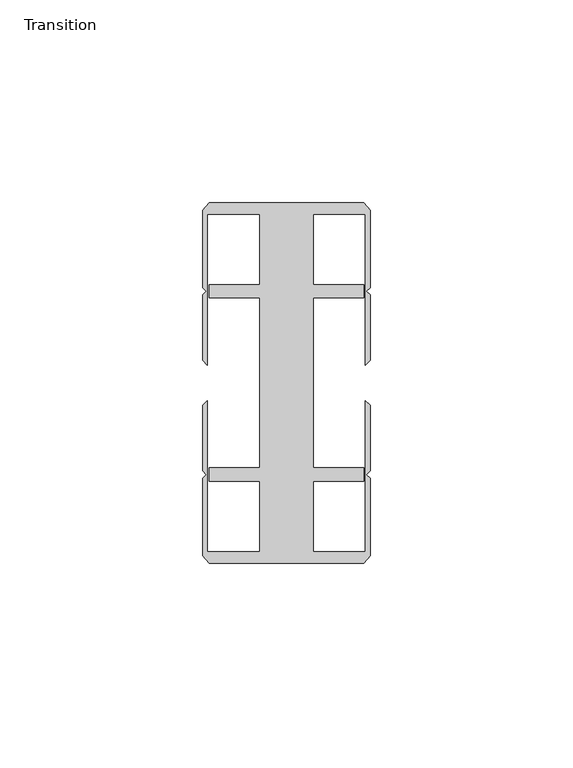
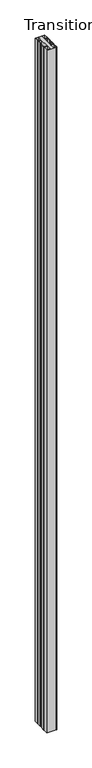
"""IFC4 building model written with IfcOpenShell, lengths in millimetres: furniture geometry, Transition."""

from ifc_helpers import new_model, si_unit, origin, origin_with_axes, place, context, project, spatial, polyline, outline, extrude, source, transform, mapped, element, save


def transition_3d4069be(model_context):
    return source(origin(), model_context, "Body", "SweptSolid", [
        extrude(outline(polyline([(36.5771534, 57.1518064), (36.5771534, 39.7518058), (49.0271531, 39.7518058), (49.0271531, 36.4518057), (36.5771534, 36.4518057), (36.5771534, -5.4481956), (49.0271531, -5.4481956), (49.0271531, -8.7481957), (36.5771534, -8.7481957), (36.5771534, -26.1481963), (49.4695633, -26.1481963), (49.4695633, 11.0906449), (50.6146531, 9.945555), (50.6146531, -6.2135897), (49.7063205, -7.1219223), (50.6146531, -8.0302549), (50.6146531, -27.0760904), (49.0271531, -28.948195), (10.9271531, -28.948195), (9.3396531, -27.0760904), (9.3396531, -8.0302549), (10.2479857, -7.1219223), (9.3396531, -6.2135897), (9.3396531, 9.945555), (10.484743, 11.0906449), (10.484743, -26.1481963), (23.3771529, -26.1481963), (23.3771529, -8.7481957), (10.9271531, -8.7481957), (10.9271531, -5.4481956), (23.3771529, -5.4481956), (23.3771529, 36.4518057), (10.9271531, 36.4518057), (10.9271531, 39.7518058), (23.3771529, 39.7518058), (23.3771529, 57.1518064), (10.484743, 57.1518064), (10.484743, 19.9129652), (9.3396531, 21.058055), (9.3396531, 37.2171998), (10.2479857, 38.1255324), (9.3396531, 39.033865), (9.3396531, 58.0797005), (10.9271531, 59.951805), (49.0271531, 59.951805), (50.6146531, 58.0797005), (50.6146531, 39.033865), (49.7063205, 38.1255324), (50.6146531, 37.2171998), (50.6146531, 21.058055), (49.4695633, 19.9129652), (49.4695633, 57.1518064), (36.5771534, 57.1518064)])), origin_with_axes(), (0.0, 0.0, 1.0), 3048.0),
    ])


if __name__ == "__main__":
    model = new_model("IFC4")
    model_context = context("Model", 3, world=origin())
    ifc_project = project(units=[si_unit("LENGTHUNIT", "METRE", prefix="MILLI")], contexts=[model_context])
    site = spatial("IfcSite", under=ifc_project)
    building = spatial("IfcBuilding", under=site)
    placement = place(None, origin())
    transition_shape = transition_3d4069be(model_context)
    element("IfcFurniture", 1, ObjectType="Transition", at=placement, inside=building, context=model_context, shape_type="MappedRepresentation", body=[
        mapped(transition_shape, transform((0.0, 0.0, 0.0), x_axis=(1.0, 0.0, 0.0), y_axis=(0.0, 1.0, 0.0), z_axis=(0.0, 0.0, 1.0))),
    ])
    save(model, "model.ifc")
